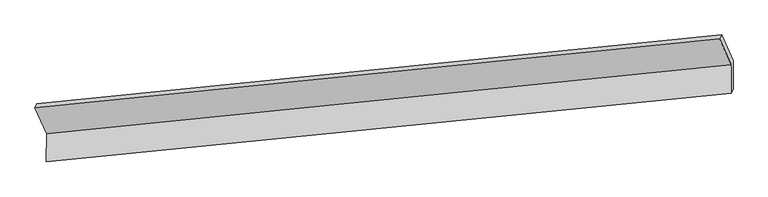
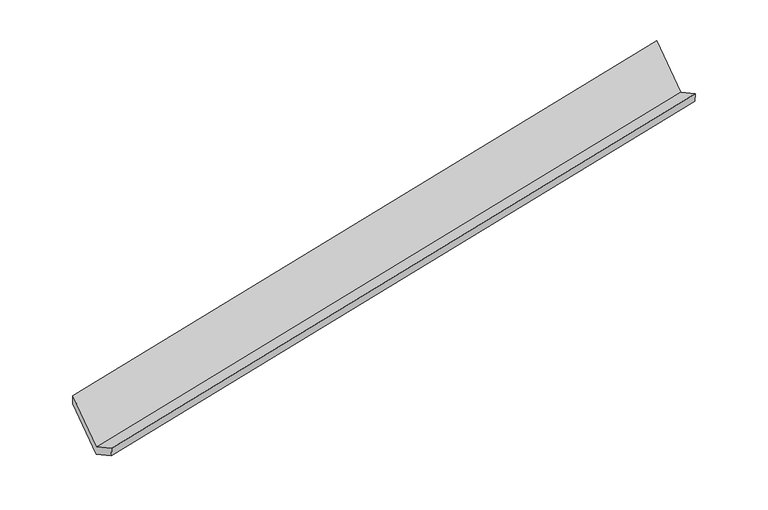
"""IFC4 building model written with IfcOpenShell, lengths in millimetres: proxy geometry."""

import ifcopenshell
import ifcopenshell.guid

model = None  # the IFC model being written
_history = None  # IfcOwnerHistory: only IFC2X3 demands one
_inside = {}  # id of a spatial element -> (the spatial element, [elements in it])
_under = {}  # id of a project, library or spatial element -> (it, [spatial elements below it])
_declared = {}  # id of a project -> (the project, [libraries it declares])
_typed = {}  # id of a type object -> (the type object, [elements of that type])
_made_of = {}  # id of a material, layer set ... -> (it, [elements and type objects made of it])


def new_model(schema):
    """Start an empty IFC model of exactly this schema.

    Asked for "IFC4X3", IfcOpenShell would pick the latest addendum, in which some entities
    have other attributes; the version numbers below select the first issue.
    IFC2X3 requires an IfcOwnerHistory on every rooted entity: one is made here for all.
    """
    global model, _history
    if schema == "IFC4X3":
        model = ifcopenshell.file(schema_version=(4, 3, 0, 0))
    else:
        model = ifcopenshell.file(schema=schema)
    _inside.clear()
    _under.clear()
    _declared.clear()
    _typed.clear()
    _made_of.clear()
    _history = None
    if model.schema == "IFC2X3":
        org = make("IfcOrganization", Name="unknown")
        user = make(
            "IfcPersonAndOrganization",
            ThePerson=make("IfcPerson", FamilyName="unknown"),
            TheOrganization=org,
        )
        app = make(
            "IfcApplication",
            ApplicationDeveloper=org,
            Version="unknown",
            ApplicationFullName="unknown",
            ApplicationIdentifier="unknown",
        )
        _history = make(
            "IfcOwnerHistory",
            OwningUser=user,
            OwningApplication=app,
            ChangeAction="ADDED",
            CreationDate=0,
        )
    return model


def make(cls, **values):
    """One entity of the class cls with the attributes given. An attribute that is None is left unset."""
    return model.create_entity(
        cls, **{name: value for name, value in values.items() if value is not None}
    )


def rooted(cls, **values):
    """An entity with a GlobalId (a new one), such as an element, a storey or a relation."""
    return make(cls, GlobalId=ifcopenshell.guid.new(), OwnerHistory=_history, **values)


def si_unit(unit_type, name, prefix=None):
    """IfcSIUnit, for example si_unit("LENGTHUNIT", "METRE", prefix="MILLI")."""
    return make("IfcSIUnit", UnitType=unit_type, Prefix=prefix, Name=name)


def assignment(units):
    """IfcUnitAssignment: the units of a project."""
    return None if units is None else make("IfcUnitAssignment", Units=units)


def point(xyz):
    """IfcCartesianPoint."""
    return None if xyz is None else make("IfcCartesianPoint", Coordinates=xyz)


def direction(xyz):
    """IfcDirection."""
    return None if xyz is None else make("IfcDirection", DirectionRatios=xyz)


def frame(location, z_axis=None, x_axis=None):
    """IfcAxis2Placement3D, a coordinate frame: its origin and axes. An axis left out is left unset."""
    return make(
        "IfcAxis2Placement3D",
        Location=point(location),
        Axis=direction(z_axis),
        RefDirection=direction(x_axis),
    )


def origin():
    """The frame at (0, 0, 0) with its axes left unset."""
    return frame((0.0, 0.0, 0.0))


def place(relative_to, where):
    """IfcLocalPlacement: puts the frame where relative to a parent placement (None: the world)."""
    return make(
        "IfcLocalPlacement", PlacementRelTo=relative_to, RelativePlacement=where
    )


def context(
    kind, dimensions, precision=None, world=None, true_north=None, identifier=None
):
    """IfcGeometricRepresentationContext, for example the 3D "Model" context."""
    return make(
        "IfcGeometricRepresentationContext",
        ContextIdentifier=identifier,
        ContextType=kind,
        CoordinateSpaceDimension=dimensions,
        Precision=precision,
        WorldCoordinateSystem=world,
        TrueNorth=true_north,
    )


def project(units=None, contexts=None):
    """IfcProject with its units and contexts."""
    return rooted(
        "IfcProject",
        Name="project",
        RepresentationContexts=contexts,
        UnitsInContext=assignment(units),
    )


def spatial(cls, under=None, at=None, **own):
    """A site, building, storey or space (cls), placed at a placement, below another one or the project."""
    s = rooted(cls, ObjectPlacement=at, **own)
    if under is not None:
        _under.setdefault(under.id(), (under, []))[1].append(s)
    return s


def faces_of(points, faces, orient=None, outer=None):
    """IfcFace entities. A face is a list of loops; a loop is a list of indices into points, from 0.

    orient and outer hold one flag for each loop. By default every Orientation is true, the
    first loop of a face is its IfcFaceOuterBound and the others are IfcFaceBound.
    """
    made = []
    for i, loops in enumerate(faces):
        bounds = []
        for j, loop in enumerate(loops):
            is_outer = j == 0 if outer is None else outer[i][j]
            bounds.append(
                make(
                    "IfcFaceOuterBound" if is_outer else "IfcFaceBound",
                    Bound=make("IfcPolyLoop", Polygon=[points[k] for k in loop]),
                    Orientation=True if orient is None else orient[i][j],
                )
            )
        made.append(make("IfcFace", Bounds=bounds))
    return made


def faceted_brep(points, faces, orient=None, outer=None, voids=None):
    """IfcFacetedBrep: a solid bounded by flat faces; with voids (closed shells), ...WithVoids."""
    shared = [point(p) for p in points]
    hull = make("IfcClosedShell", CfsFaces=faces_of(shared, faces, orient, outer))
    if voids is None:
        return make("IfcFacetedBrep", Outer=hull)
    return make(
        "IfcFacetedBrepWithVoids",
        Outer=hull,
        Voids=[
            make(cls, CfsFaces=faces_of(shared, fs, o, b)) for cls, fs, o, b in voids
        ],
    )


def shape(context_of_items, identifier, shape_type, items):
    """IfcShapeRepresentation: the items that make up one representation, for example the "Body"."""
    return make(
        "IfcShapeRepresentation",
        ContextOfItems=context_of_items,
        RepresentationIdentifier=identifier,
        RepresentationType=shape_type,
        Items=items,
    )


def source(mapping_origin, context_of_items, identifier, shape_type, items):
    """IfcRepresentationMap: a shape defined once, which mapped items show again and again."""
    return make(
        "IfcRepresentationMap",
        MappingOrigin=mapping_origin,
        MappedRepresentation=shape(context_of_items, identifier, shape_type, items),
    )


def transform(
    local_origin,
    x_axis=None,
    y_axis=None,
    z_axis=None,
    scale=None,
    scale2=None,
    scale3=None,
    uniform=True,
):
    """IfcCartesianTransformationOperator3D, or its non-uniform kind. x_axis, y_axis, z_axis: its Axis1, 2, 3."""
    if uniform:
        return make(
            "IfcCartesianTransformationOperator3D",
            Axis1=direction(x_axis),
            Axis2=direction(y_axis),
            LocalOrigin=point(local_origin),
            Scale=scale,
            Axis3=direction(z_axis),
        )
    return make(
        "IfcCartesianTransformationOperator3DnonUniform",
        Axis1=direction(x_axis),
        Axis2=direction(y_axis),
        LocalOrigin=point(local_origin),
        Scale=scale,
        Axis3=direction(z_axis),
        Scale2=scale2,
        Scale3=scale3,
    )


def mapped(mapping_source, mapping_target):
    """IfcMappedItem: shows the shape of a source again, moved by a transform."""
    return make(
        "IfcMappedItem", MappingSource=mapping_source, MappingTarget=mapping_target
    )


def made_of(thing, what):
    """Note that an element or type object is made of a material, layer set ...; save() writes the relation."""
    if what is not None:
        _made_of.setdefault(what.id(), (what, []))[1].append(thing)
    return thing


def element(
    cls,
    number,
    at=None,
    inside=None,
    cuts=None,
    type_object=None,
    material=None,
    context=None,
    identifier="Body",
    shape_type=None,
    held_by="IfcProductDefinitionShape",
    body=None,
    shapes=None,
    **own,
):
    """One element of the class cls, such as IfcWall. Its Tag is "e" and its number.

    at: its placement. inside: the storey or other place that contains it. cuts: it is an
    opening in that element (IfcRelVoidsElement). A single representation is given by context,
    identifier, shape_type and body (its items); several are given by shapes. held_by: the class
    of the entity that holds the representations. save() writes the other relations.
    """
    e = rooted(cls, Tag="e%d" % number, ObjectPlacement=at, **own)
    if body is not None:
        shapes = [shape(context, identifier, shape_type, body)]
    if shapes is not None:
        e.Representation = make(held_by, Representations=shapes)
    if inside is not None:
        _inside.setdefault(inside.id(), (inside, []))[1].append(e)
    if cuts is not None:
        rooted(
            "IfcRelVoidsElement", RelatingBuildingElement=cuts, RelatedOpeningElement=e
        )
    if type_object is not None:
        _typed.setdefault(type_object.id(), (type_object, []))[1].append(e)
    return made_of(e, material)


def aggregate(whole, parts):
    """IfcRelAggregates: a whole, such as a stair, and the parts it consists of."""
    return rooted("IfcRelAggregates", RelatingObject=whole, RelatedObjects=parts)


def save(model, path):
    """Write the relations noted so far, then the file.

    IfcRelAggregates (storeys below a building ...), IfcRelContainedInSpatialStructure (elements
    in a storey), IfcRelDefinesByType, IfcRelAssociatesMaterial and IfcRelDeclares: one each for
    every whole, place, type object, material and project.
    """
    for whole, parts in _under.values():
        aggregate(whole, parts)
    for where, things in _inside.values():
        rooted(
            "IfcRelContainedInSpatialStructure",
            RelatedElements=things,
            RelatingStructure=where,
        )
    for kind, things in _typed.values():
        rooted("IfcRelDefinesByType", RelatedObjects=things, RelatingType=kind)
    for what, things in _made_of.values():
        rooted("IfcRelAssociatesMaterial", RelatedObjects=things, RelatingMaterial=what)
    for by, libraries in _declared.values():
        rooted("IfcRelDeclares", RelatingContext=by, RelatedDefinitions=libraries)
    model.write(path)


def generic_models_7af8ce6c(model_context):
    return source(origin(), model_context, "Body", "Brep", [
        faceted_brep([(-7475.3273277, -1990.8298678, 819.6832585), (-7476.2732235, -2375.4659946, 1027.4968732), (1832.896561, -1439.5779485, 2833.6329225), (1833.8424569, -1054.9418217, 2625.8193078), (-7451.3736219, -2317.8364931, 865.1421553), (1857.7961626, -1381.948447, 2671.2782046), (-7450.4302591, -1934.2304095, 657.8850588), (1858.7395254, -998.3423634, 2464.021108), (-7606.6610896, -1585.7437479, 1302.1776949), (1702.508695, -649.8557018, 3108.3137442), (-7633.5594129, -1637.8792306, 1472.2290273), (1675.6103716, -701.9911845, 3278.3650765)], [[[0, 1, 2, 3]], [[1, 4, 5, 2]], [[4, 6, 7, 5]], [[6, 8, 9, 7]], [[8, 10, 11, 9]], [[10, 0, 3, 11]], [[9, 11, 3, 2, 5, 7]], [[0, 10, 8, 6, 4, 1]]]),
    ])


if __name__ == "__main__":
    model = new_model("IFC4")
    model_context = context("Model", 3, world=origin())
    ifc_project = project(units=[si_unit("LENGTHUNIT", "METRE", prefix="MILLI")], contexts=[model_context])
    site = spatial("IfcSite", under=ifc_project)
    building = spatial("IfcBuilding", under=site)
    placement = place(None, origin())
    generic_models_shape = generic_models_7af8ce6c(model_context)
    element("IfcBuildingElementProxy", 1, Name="Generic Models", at=placement, inside=building, context=model_context, shape_type="MappedRepresentation", body=[
        mapped(generic_models_shape, transform((0.0, 0.0, 0.0), x_axis=(1.0, 0.0, 0.0), y_axis=(0.0, 1.0, 0.0), z_axis=(0.0, 0.0, 1.0))),
    ])
    save(model, "model.ifc")
